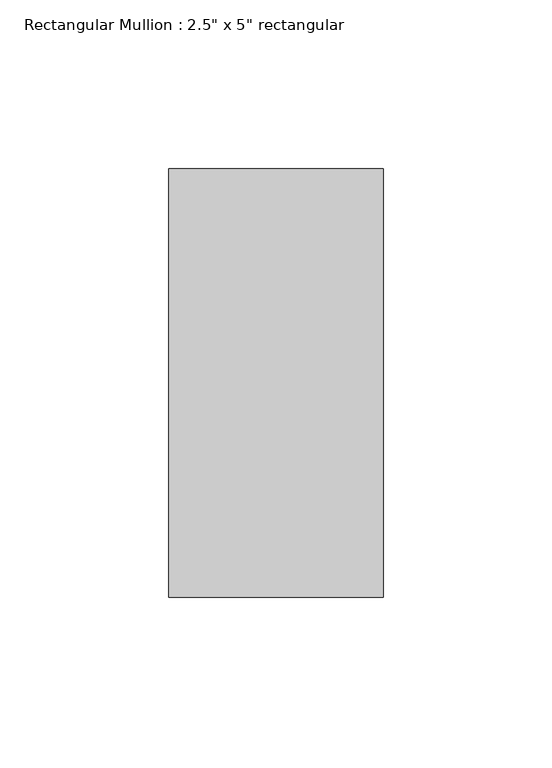
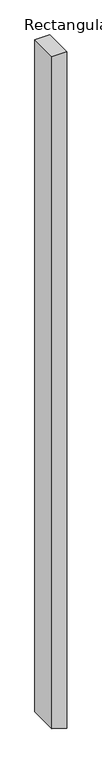
"""IFC4 building model written with IfcOpenShell, lengths in millimetres: member geometry."""

from ifc_helpers import new_model, si_unit, frame, origin, place, context, project, spatial, polyline, outline, extrude, source, transform, mapped, element, save


def member_3b93a818(model_context):
    return source(origin(), model_context, "Body", "SweptSolid", [
        extrude(outline(polyline([(0.0, 31.75), (0.0, -31.75), (-3053.1860779, -31.75), (-3070.0814468, 19.7828002), (-3074.0049723, 31.75), (0.0, 31.75)])), frame((0.0, -63.5, 0.0), z_axis=(0.0, 1.0, 0.0), x_axis=(0.0, 0.0, 1.0)), (0.0, 0.0, 1.0), 127.0),
    ])


if __name__ == "__main__":
    model = new_model("IFC4")
    model_context = context("Model", 3, world=origin())
    ifc_project = project(units=[si_unit("LENGTHUNIT", "METRE", prefix="MILLI")], contexts=[model_context])
    site = spatial("IfcSite", under=ifc_project)
    building = spatial("IfcBuilding", under=site)
    placement = place(None, origin())
    member_shape = member_3b93a818(model_context)
    element("IfcMember", 1, ObjectType="Rectangular Mullion : 2.5\" x 5\" rectangular", at=placement, inside=building, context=model_context, shape_type="MappedRepresentation", body=[
        mapped(member_shape, transform((0.0, 0.0, 0.0), x_axis=(1.0, 0.0, 0.0), y_axis=(0.0, 1.0, 0.0), z_axis=(0.0, 0.0, 1.0))),
    ])
    save(model, "model.ifc")
